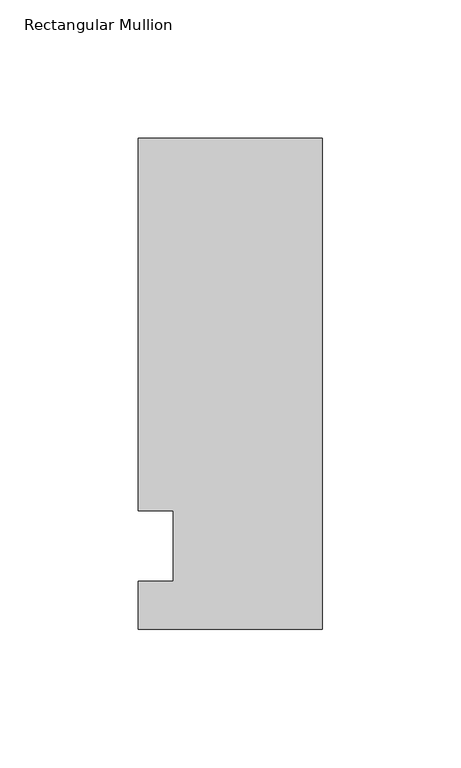
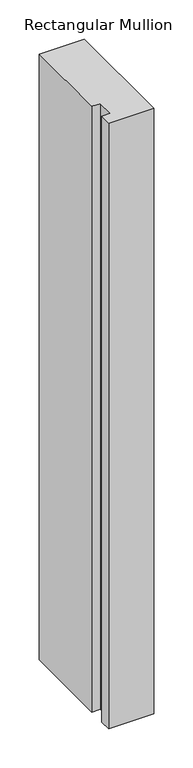
"""IFC4 building model written with IfcOpenShell, lengths in millimetres: member geometry, Rectangular Mullion."""

import ifcopenshell
import ifcopenshell.guid

model = None  # the IFC model being written
_history = None  # IfcOwnerHistory: only IFC2X3 demands one
_inside = {}  # id of a spatial element -> (the spatial element, [elements in it])
_under = {}  # id of a project, library or spatial element -> (it, [spatial elements below it])
_declared = {}  # id of a project -> (the project, [libraries it declares])
_typed = {}  # id of a type object -> (the type object, [elements of that type])
_made_of = {}  # id of a material, layer set ... -> (it, [elements and type objects made of it])


def new_model(schema):
    """Start an empty IFC model of exactly this schema.

    Asked for "IFC4X3", IfcOpenShell would pick the latest addendum, in which some entities
    have other attributes; the version numbers below select the first issue.
    IFC2X3 requires an IfcOwnerHistory on every rooted entity: one is made here for all.
    """
    global model, _history
    if schema == "IFC4X3":
        model = ifcopenshell.file(schema_version=(4, 3, 0, 0))
    else:
        model = ifcopenshell.file(schema=schema)
    _inside.clear()
    _under.clear()
    _declared.clear()
    _typed.clear()
    _made_of.clear()
    _history = None
    if model.schema == "IFC2X3":
        org = make("IfcOrganization", Name="unknown")
        user = make(
            "IfcPersonAndOrganization",
            ThePerson=make("IfcPerson", FamilyName="unknown"),
            TheOrganization=org,
        )
        app = make(
            "IfcApplication",
            ApplicationDeveloper=org,
            Version="unknown",
            ApplicationFullName="unknown",
            ApplicationIdentifier="unknown",
        )
        _history = make(
            "IfcOwnerHistory",
            OwningUser=user,
            OwningApplication=app,
            ChangeAction="ADDED",
            CreationDate=0,
        )
    return model


def make(cls, **values):
    """One entity of the class cls with the attributes given. An attribute that is None is left unset."""
    return model.create_entity(
        cls, **{name: value for name, value in values.items() if value is not None}
    )


def rooted(cls, **values):
    """An entity with a GlobalId (a new one), such as an element, a storey or a relation."""
    return make(cls, GlobalId=ifcopenshell.guid.new(), OwnerHistory=_history, **values)


def si_unit(unit_type, name, prefix=None):
    """IfcSIUnit, for example si_unit("LENGTHUNIT", "METRE", prefix="MILLI")."""
    return make("IfcSIUnit", UnitType=unit_type, Prefix=prefix, Name=name)


def assignment(units):
    """IfcUnitAssignment: the units of a project."""
    return None if units is None else make("IfcUnitAssignment", Units=units)


def point(xyz):
    """IfcCartesianPoint."""
    return None if xyz is None else make("IfcCartesianPoint", Coordinates=xyz)


def direction(xyz):
    """IfcDirection."""
    return None if xyz is None else make("IfcDirection", DirectionRatios=xyz)


def frame(location, z_axis=None, x_axis=None):
    """IfcAxis2Placement3D, a coordinate frame: its origin and axes. An axis left out is left unset."""
    return make(
        "IfcAxis2Placement3D",
        Location=point(location),
        Axis=direction(z_axis),
        RefDirection=direction(x_axis),
    )


def origin():
    """The frame at (0, 0, 0) with its axes left unset."""
    return frame((0.0, 0.0, 0.0))


def place(relative_to, where):
    """IfcLocalPlacement: puts the frame where relative to a parent placement (None: the world)."""
    return make(
        "IfcLocalPlacement", PlacementRelTo=relative_to, RelativePlacement=where
    )


def context(
    kind, dimensions, precision=None, world=None, true_north=None, identifier=None
):
    """IfcGeometricRepresentationContext, for example the 3D "Model" context."""
    return make(
        "IfcGeometricRepresentationContext",
        ContextIdentifier=identifier,
        ContextType=kind,
        CoordinateSpaceDimension=dimensions,
        Precision=precision,
        WorldCoordinateSystem=world,
        TrueNorth=true_north,
    )


def project(units=None, contexts=None):
    """IfcProject with its units and contexts."""
    return rooted(
        "IfcProject",
        Name="project",
        RepresentationContexts=contexts,
        UnitsInContext=assignment(units),
    )


def spatial(cls, under=None, at=None, **own):
    """A site, building, storey or space (cls), placed at a placement, below another one or the project."""
    s = rooted(cls, ObjectPlacement=at, **own)
    if under is not None:
        _under.setdefault(under.id(), (under, []))[1].append(s)
    return s


def polyline(points):
    """IfcPolyline through the points."""
    return make("IfcPolyline", Points=[point(p) for p in points])


def outline(outer, holes=None, kind="AREA"):
    """IfcArbitraryClosedProfileDef: a profile drawn as a closed curve; with holes, ...WithVoids."""
    if holes is None:
        return make("IfcArbitraryClosedProfileDef", ProfileType=kind, OuterCurve=outer)
    return make(
        "IfcArbitraryProfileDefWithVoids",
        ProfileType=kind,
        OuterCurve=outer,
        InnerCurves=holes,
    )


def extrude(swept, where, along, depth):
    """IfcExtrudedAreaSolid: the profile swept, set in the frame where, extruded along a direction by depth."""
    return make(
        "IfcExtrudedAreaSolid",
        SweptArea=swept,
        Position=where,
        ExtrudedDirection=direction(along),
        Depth=depth,
    )


def shape(context_of_items, identifier, shape_type, items):
    """IfcShapeRepresentation: the items that make up one representation, for example the "Body"."""
    return make(
        "IfcShapeRepresentation",
        ContextOfItems=context_of_items,
        RepresentationIdentifier=identifier,
        RepresentationType=shape_type,
        Items=items,
    )


def source(mapping_origin, context_of_items, identifier, shape_type, items):
    """IfcRepresentationMap: a shape defined once, which mapped items show again and again."""
    return make(
        "IfcRepresentationMap",
        MappingOrigin=mapping_origin,
        MappedRepresentation=shape(context_of_items, identifier, shape_type, items),
    )


def transform(
    local_origin,
    x_axis=None,
    y_axis=None,
    z_axis=None,
    scale=None,
    scale2=None,
    scale3=None,
    uniform=True,
):
    """IfcCartesianTransformationOperator3D, or its non-uniform kind. x_axis, y_axis, z_axis: its Axis1, 2, 3."""
    if uniform:
        return make(
            "IfcCartesianTransformationOperator3D",
            Axis1=direction(x_axis),
            Axis2=direction(y_axis),
            LocalOrigin=point(local_origin),
            Scale=scale,
            Axis3=direction(z_axis),
        )
    return make(
        "IfcCartesianTransformationOperator3DnonUniform",
        Axis1=direction(x_axis),
        Axis2=direction(y_axis),
        LocalOrigin=point(local_origin),
        Scale=scale,
        Axis3=direction(z_axis),
        Scale2=scale2,
        Scale3=scale3,
    )


def mapped(mapping_source, mapping_target):
    """IfcMappedItem: shows the shape of a source again, moved by a transform."""
    return make(
        "IfcMappedItem", MappingSource=mapping_source, MappingTarget=mapping_target
    )


def made_of(thing, what):
    """Note that an element or type object is made of a material, layer set ...; save() writes the relation."""
    if what is not None:
        _made_of.setdefault(what.id(), (what, []))[1].append(thing)
    return thing


def element(
    cls,
    number,
    at=None,
    inside=None,
    cuts=None,
    type_object=None,
    material=None,
    context=None,
    identifier="Body",
    shape_type=None,
    held_by="IfcProductDefinitionShape",
    body=None,
    shapes=None,
    **own,
):
    """One element of the class cls, such as IfcWall. Its Tag is "e" and its number.

    at: its placement. inside: the storey or other place that contains it. cuts: it is an
    opening in that element (IfcRelVoidsElement). A single representation is given by context,
    identifier, shape_type and body (its items); several are given by shapes. held_by: the class
    of the entity that holds the representations. save() writes the other relations.
    """
    e = rooted(cls, Tag="e%d" % number, ObjectPlacement=at, **own)
    if body is not None:
        shapes = [shape(context, identifier, shape_type, body)]
    if shapes is not None:
        e.Representation = make(held_by, Representations=shapes)
    if inside is not None:
        _inside.setdefault(inside.id(), (inside, []))[1].append(e)
    if cuts is not None:
        rooted(
            "IfcRelVoidsElement", RelatingBuildingElement=cuts, RelatedOpeningElement=e
        )
    if type_object is not None:
        _typed.setdefault(type_object.id(), (type_object, []))[1].append(e)
    return made_of(e, material)


def aggregate(whole, parts):
    """IfcRelAggregates: a whole, such as a stair, and the parts it consists of."""
    return rooted("IfcRelAggregates", RelatingObject=whole, RelatedObjects=parts)


def save(model, path):
    """Write the relations noted so far, then the file.

    IfcRelAggregates (storeys below a building ...), IfcRelContainedInSpatialStructure (elements
    in a storey), IfcRelDefinesByType, IfcRelAssociatesMaterial and IfcRelDeclares: one each for
    every whole, place, type object, material and project.
    """
    for whole, parts in _under.values():
        aggregate(whole, parts)
    for where, things in _inside.values():
        rooted(
            "IfcRelContainedInSpatialStructure",
            RelatedElements=things,
            RelatingStructure=where,
        )
    for kind, things in _typed.values():
        rooted("IfcRelDefinesByType", RelatedObjects=things, RelatingType=kind)
    for what, things in _made_of.values():
        rooted("IfcRelAssociatesMaterial", RelatedObjects=things, RelatingMaterial=what)
    for by, libraries in _declared.values():
        rooted("IfcRelDeclares", RelatingContext=by, RelatedDefinitions=libraries)
    model.write(path)


def rectangular_mullion_9c151342(model_context):
    return source(origin(), model_context, "Body", "SweptSolid", [
        extrude(outline(polyline([(-66.675, 147.6375), (0.0, 147.6375), (0.0, -30.1625), (-66.675, -30.1625), (-66.675, -12.7), (-53.9732296, -12.7), (-53.9732296, 12.7), (-66.675, 12.7), (-66.675, 147.6375)])), frame((0.0, 0.0, -946.15), z_axis=(0.0, 0.0, 1.0), x_axis=(1.0, 0.0, 0.0)), (0.0, 0.0, 1.0), 946.15),
    ])


if __name__ == "__main__":
    model = new_model("IFC4")
    model_context = context("Model", 3, world=origin())
    ifc_project = project(units=[si_unit("LENGTHUNIT", "METRE", prefix="MILLI")], contexts=[model_context])
    site = spatial("IfcSite", under=ifc_project)
    building = spatial("IfcBuilding", under=site)
    placement = place(None, origin())
    rectangular_mullion_shape = rectangular_mullion_9c151342(model_context)
    element("IfcMember", 1, ObjectType="Rectangular Mullion", at=placement, inside=building, context=model_context, shape_type="MappedRepresentation", body=[
        mapped(rectangular_mullion_shape, transform((0.0, 0.0, 0.0), x_axis=(1.0, 0.0, 0.0), y_axis=(0.0, 1.0, 0.0), z_axis=(0.0, 0.0, 1.0))),
    ])
    save(model, "model.ifc")
